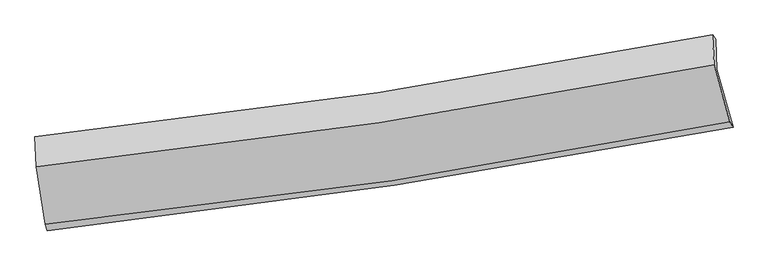
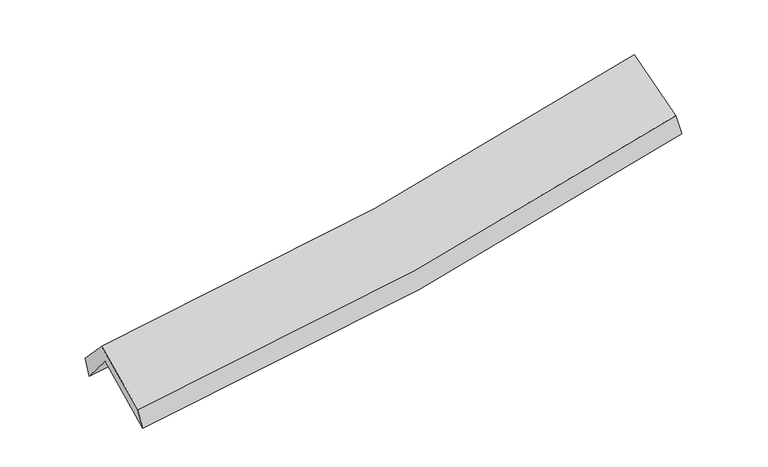
"""IFC4 building model written with IfcOpenShell, lengths in millimetres: proxy geometry."""

from ifc_helpers import new_model, si_unit, frame, origin, place, context, project, spatial, source, transform, mapped, element, save
from ifc_brep_helpers import plane_surface, spline_curve, spline_surface, advanced_brep


def generic_models_48c6a91d(model_context):
    return source(origin(), model_context, "Body", "AdvancedBrep", [
        advanced_brep(
        [(-2876.2851684, -2521.0795649, 1473.9972238), (-2955.3843144, -2009.2834348, 1895.6114715), (2870.596648, -1133.0054937, 2408.6702552), (3010.2510139, -1632.9323027, 1980.7617772), (-2966.4517556, -1750.2621527, 1586.9743517), (2861.1026948, -876.5660749, 2086.3748094), (-2980.3282866, -1710.6993945, 1759.4565756), (2833.5842155, -839.1559687, 2267.2042917), (-2967.5996287, -1968.4869128, 2035.7343375), (2848.3178428, -1093.1199027, 2539.9069552), (-2891.8257491, -2464.0299143, 1642.1671796), (2981.7929037, -1582.6243927, 2149.4102619)],
        [
            (0, 1),
            (1, 2, spline_curve(3, [(-2955.3843144, -2009.2834348, 1895.6114715), (-1968.0228713, -1898.771508426, 1937.837153268), (-985.351797284, -1769.829200528, 2002.174807094), (956.507566342, -1477.208869902, 2173.827493755), (1915.83014615, -1314.058530712, 2280.509434551), (2870.596648, -1133.0054937, 2408.6702552)], [4, 2, 4], [0.0, 9.827334583896459, 19.512963374498646])),
            (2, 3),
            (3, 0, spline_curve(3, [(3010.2510139, -1632.9323027, 1980.7617772), (2046.663997812, -1816.606200158, 1845.407220507), (1077.92589187, -1982.051282342, 1735.619219822), (-884.101006593, -2278.637665702, 1565.944125169), (-1877.541628094, -2409.241671321, 1506.810608478), (-2876.2851684, -2521.0795649, 1473.9972238)], [4, 2, 4], [0.0, 9.685628790602188, 19.512963374498646])),
            (1, 4),
            (4, 5, spline_curve(3, [(-2966.4517556, -1750.2621527, 1586.9743517), (-1978.328557169, -1645.004946184, 1627.356998558), (-995.146335892, -1518.889209526, 1689.625041804), (947.2303479, -1227.059979226, 1856.718465632), (1906.566277049, -1061.943690067, 1960.917241866), (2861.1026948, -876.5660749, 2086.3748094)], [4, 2, 4], [0.0, 9.776694608769606, 19.412413630160543])),
            (5, 2),
            (4, 6),
            (6, 7, spline_curve(3, [(-2980.3282866, -1710.6993945, 1759.4565756), (-1994.64516922, -1607.275121177, 1805.350676851), (-1013.827528981, -1482.251197865, 1871.060179708), (924.004000518, -1191.118299231, 2040.876756818), (1881.157194459, -1025.627746818, 2144.416492709), (2833.5842155, -839.1559687, 2267.2042917)], [4, 2, 4], [0.0, 9.766017204430065, 19.391212784902503])),
            (7, 5),
            (6, 8),
            (8, 9, spline_curve(3, [(-2967.5996287, -1968.4869128, 2035.7343375), (-1981.490430774, -1865.632469528, 2082.308812307), (-1000.291780787, -1740.568115932, 2148.05376347), (938.206781243, -1448.143216252, 2316.660176036), (1895.647288726, -1281.418566657, 2418.972764192), (2848.3178428, -1093.1199027, 2539.9069552)], [4, 2, 4], [0.0, 9.756942340591598, 19.373193912725426])),
            (9, 7),
            (8, 10),
            (10, 11, spline_curve(3, [(-2891.8257491, -2464.0299143, 1642.1671796), (-1895.165807692, -2362.275282244, 1687.552517882), (-903.851572378, -2237.246295624, 1752.966820432), (1053.868257771, -1942.778082977, 1922.621301061), (2020.426906807, -1774.005228744, 2026.288025695), (2981.7929037, -1582.6243927, 2149.4102619)], [4, 2, 4], [0.0, 9.806939377970345, 19.472467052443655])),
            (11, 9),
            (10, 0),
            (3, 11),
        ],
        [
            spline_surface(3, 3, [[(-2876.2851684, -2521.0795649, 1473.9972238), (-1877.541628006, -2409.241671172, 1506.810608412), (-884.101006661, -2278.637665737, 1565.944125285), (1077.925891937, -1982.051282308, 1735.619219708), (2046.663997967, -1816.606200305, 1845.407220631), (3010.2510139, -1632.9323027, 1980.7617772)], [(-2902.651550384, -2350.480854895, 1614.535306347), (-1907.702042389, -2239.084950319, 1650.486123355), (-917.851270132, -2109.034844016, 1711.354352568), (1037.453116703, -1813.770478144, 1881.688644379), (2003.052714048, -1649.09031045, 1990.441291888), (2963.699558596, -1466.29003302, 2123.397936527)], [(-2929.017932416, -2179.882144805, 1755.073388953), (-1937.862456818, -2068.92822938, 1794.161638359), (-951.601533654, -1939.432022315, 1856.764579849), (996.980341419, -1645.489674001, 2027.758069046), (1959.441430141, -1481.574420635, 2135.475363164), (2917.148103304, -1299.64776338, 2266.034095873)], [(-2955.3843144, -2009.2834348, 1895.6114715), (-1968.022871201, -1898.771508526, 1937.837153302), (-985.351797125, -1769.829200594, 2002.174807133), (956.507566185, -1477.208869837, 2173.827493717), (1915.830146222, -1314.05853078, 2280.509434421), (2870.596648, -1133.0054937, 2408.6702552)]], [4, 4], [4, 2, 4], [0.0, 2.2261693742279824], [0.0, 9.827334583896459, 19.512963374498646]),
            spline_surface(3, 3, [[(-2955.3843144, -2009.2834348, 1895.6114715), (-1968.022871201, -1898.771508526, 1937.837153302), (-985.351797125, -1769.829200594, 2002.174807133), (956.507566185, -1477.208869837, 2173.827493717), (1915.830146222, -1314.05853078, 2280.509434421), (2870.596648, -1133.0054937, 2408.6702552)], [(-2959.073461461, -1922.943007406, 1792.732431571), (-1971.458099848, -1814.182654422, 1834.343768357), (-988.61664343, -1686.182536922, 1897.991551974), (953.415160134, -1393.82590629, 2068.124484396), (1912.742189821, -1230.020250516, 2173.978703528), (2867.431996913, -1047.525687453, 2301.238439913)], [(-2962.762608539, -1836.602580094, 1689.853391629), (-1974.893328511, -1729.593800401, 1730.850383399), (-991.881489729, -1602.53587324, 1793.808296827), (950.32275409, -1310.442942731, 1962.421475087), (1909.654233482, -1145.981970192, 2067.447972696), (2864.267345887, -962.045881147, 2193.806624687)], [(-2966.4517556, -1750.2621527, 1586.9743517), (-1978.328557158, -1645.004946297, 1627.356998454), (-995.146336034, -1518.889209568, 1689.625041668), (947.23034804, -1227.059979184, 1856.718465766), (1906.566277081, -1061.943689928, 1960.917241803), (2861.1026948, -876.5660749, 2086.3748094)]], [4, 4], [4, 2, 4], [0.0, 1.320363061951577], [0.0, 9.776694608769606, 19.412413630160543]),
            spline_surface(3, 3, [[(-2966.4517556, -1750.2621527, 1586.9743517), (-1978.328557158, -1645.004946297, 1627.356998454), (-995.146336034, -1518.889209568, 1689.625041668), (947.23034804, -1227.059979184, 1856.718465766), (1906.566277081, -1061.943689928, 1960.917241803), (2861.1026948, -876.5660749, 2086.3748094)], [(-2971.077265953, -1737.074566652, 1644.468426346), (-1983.767427841, -1632.428337919, 1686.688224616), (-1001.373400378, -1506.676539054, 1750.103421002), (939.48823222, -1215.079419171, 1918.104562785), (1898.096582895, -1049.838375593, 2022.083658805), (2851.929868366, -864.096039482, 2146.651303513)], [(-2975.702776247, -1723.886980548, 1701.962500954), (-1989.206298466, -1619.851729484, 1746.019450742), (-1007.600464711, -1494.463868504, 1810.581800353), (931.746116411, -1203.098859121, 1979.49065982), (1889.626888711, -1037.733061313, 2083.250075769), (2842.757041934, -851.626004118, 2206.927797587)], [(-2980.3282866, -1710.6993945, 1759.4565756), (-1994.645169149, -1607.275121105, 1805.350676905), (-1013.827529056, -1482.251197991, 1871.060179687), (924.004000591, -1191.118299108, 2040.876756839), (1881.157194526, -1025.627746978, 2144.416492771), (2833.5842155, -839.1559687, 2267.2042917)]], [4, 4], [4, 2, 4], [0.0, 0.6152103866897347], [0.0, 9.766017204430065, 19.391212784902503]),
            spline_surface(3, 3, [[(-2980.3282866, -1710.6993945, 1759.4565756), (-1994.645169149, -1607.275121105, 1805.350676905), (-1013.827529056, -1482.251197991, 1871.060179687), (924.004000591, -1191.118299108, 2040.876756839), (1881.157194526, -1025.627746978, 2144.416492771), (2833.5842155, -839.1559687, 2267.2042917)], [(-2976.085400615, -1796.628567252, 1851.549162903), (-1990.260256287, -1693.394237264, 1897.670055333), (-1009.315613024, -1568.356837248, 1963.391374276), (928.738260854, -1276.793271507, 2132.804563279), (1885.987225996, -1110.891353586, 2235.935249892), (2838.495424618, -923.810613372, 2358.105179525)], [(-2971.842514685, -1882.557740048, 1943.641750197), (-1985.875343481, -1779.513353467, 1989.98943375), (-1004.803696975, -1654.462476562, 2055.72256881), (933.472521134, -1362.468243964, 2224.732369666), (1890.817257412, -1196.154960176, 2327.454007038), (2843.406633682, -1008.465258028, 2449.006067375)], [(-2967.5996287, -1968.4869128, 2035.7343375), (-1981.490430619, -1865.632469625, 2082.308812178), (-1000.291780943, -1740.56811582, 2148.053763399), (938.206781397, -1448.143216363, 2316.660176106), (1895.647288883, -1281.418566783, 2418.972764158), (2848.3178428, -1093.1199027, 2539.9069552)]], [4, 4], [4, 2, 4], [0.0, 1.2406031617326654], [0.0, 9.756942340591598, 19.373193912725426]),
            spline_surface(3, 3, [[(-2967.5996287, -1968.4869128, 2035.7343375), (-1981.490430619, -1865.632469625, 2082.308812178), (-1000.291780943, -1740.56811582, 2148.053763399), (938.206781397, -1448.143216363, 2316.660176106), (1895.647288883, -1281.418566783, 2418.972764158), (2848.3178428, -1093.1199027, 2539.9069552)], [(-2942.341668848, -2133.667913299, 1904.545284845), (-1952.715556321, -2031.180073806, 1950.723380705), (-968.145044799, -1906.127509151, 2016.358115762), (976.760606878, -1613.021505211, 2185.313884385), (1937.240494884, -1445.614120757, 2288.077851339), (2892.809529748, -1256.288066031, 2409.741390761)], [(-2917.083708952, -2298.848913801, 1773.356232255), (-1923.940681979, -2196.727677989, 1819.137949297), (-935.998308624, -2071.686902423, 1884.662468157), (1015.31443239, -1777.899793999, 2053.967592695), (1978.833700941, -1609.809674738, 2157.182938537), (2937.301216752, -1419.456229369, 2279.575826339)], [(-2891.8257491, -2464.0299143, 1642.1671796), (-1895.16580768, -2362.275282169, 1687.552517823), (-903.85157248, -2237.246295755, 1752.966820521), (1053.868257872, -1942.778082847, 1922.621300973), (2020.426906942, -1774.005228712, 2026.288025717), (2981.7929037, -1582.6243927, 2149.4102619)]], [4, 4], [4, 2, 4], [0.0, 2.1073948508093223], [0.0, 9.806939377970345, 19.472467052443655]),
            spline_surface(3, 3, [[(-2891.8257491, -2464.0299143, 1642.1671796), (-1895.16580768, -2362.275282169, 1687.552517823), (-903.85157248, -2237.246295755, 1752.966820521), (1053.868257872, -1942.778082847, 1922.621300973), (2020.426906942, -1774.005228712, 2026.288025717), (2981.7929037, -1582.6243927, 2149.4102619)], [(-2886.645555539, -2483.046464496, 1586.110527689), (-1889.291081128, -2377.930745166, 1627.305214708), (-897.268050535, -2251.043419073, 1690.62592211), (1061.887469232, -1955.869149324, 1860.287273886), (2029.172603975, -1788.205552584, 1965.99442405), (2991.278940459, -1599.393696041, 2093.194100361)], [(-2881.465361961, -2502.063014704, 1530.053875711), (-1883.416354558, -2393.586208175, 1567.057911527), (-890.684528606, -2264.840542419, 1628.285023696), (1069.906680577, -1968.960215831, 1797.953246795), (2037.918300933, -1802.405876433, 1905.700822298), (3000.764977141, -1616.162999359, 2036.977938739)], [(-2876.2851684, -2521.0795649, 1473.9972238), (-1877.541628006, -2409.241671172, 1506.810608412), (-884.101006661, -2278.637665737, 1565.944125285), (1077.925891937, -1982.051282308, 1735.619219708), (2046.663997967, -1816.606200305, 1845.407220631), (3010.2510139, -1632.9323027, 1980.7617772)]], [4, 4], [4, 2, 4], [0.0, 0.6317617707528931], [0.0, 9.866590838319967, 19.590909825618883]),
            plane_surface(frame((2900.9408864, -1192.9006892, 2238.7213918), z_axis=(0.977773624024089, 0.17714828153033882, 0.11214823455430575), x_axis=(0.2084738962695187, -0.7645541243794728, -0.6099144411050976))),
            plane_surface(frame((-2939.6458171, -2070.640229, 1732.3235233), z_axis=(-0.9926197713408745, -0.10803947904136187, -0.0550768600381425), x_axis=(-0.08717836152671454, 0.32003276875837566, 0.943386962069312))),
        ],
        [
            (0, [[1, 2, 3, 4]]),
            (1, [[5, 6, 7, -2]]),
            (2, [[8, 9, 10, -6]]),
            (3, [[11, 12, 13, -9]]),
            (4, [[14, 15, 16, -12]]),
            (5, [[17, -4, 18, -15]]),
            (6, [[-16, -18, -3, -7, -10, -13]]),
            (7, [[-17, -14, -11, -8, -5, -1]]),
        ],
    ),
    ])


if __name__ == "__main__":
    model = new_model("IFC4")
    model_context = context("Model", 3, world=origin())
    ifc_project = project(units=[si_unit("LENGTHUNIT", "METRE", prefix="MILLI")], contexts=[model_context])
    site = spatial("IfcSite", under=ifc_project)
    building = spatial("IfcBuilding", under=site)
    placement = place(None, origin())
    generic_models_shape = generic_models_48c6a91d(model_context)
    element("IfcBuildingElementProxy", 1, Name="Generic Models", at=placement, inside=building, context=model_context, shape_type="MappedRepresentation", body=[
        mapped(generic_models_shape, transform((0.0, 0.0, 0.0), x_axis=(1.0, 0.0, 0.0), y_axis=(0.0, 1.0, 0.0), z_axis=(0.0, 0.0, 1.0))),
    ])
    save(model, "model.ifc")
